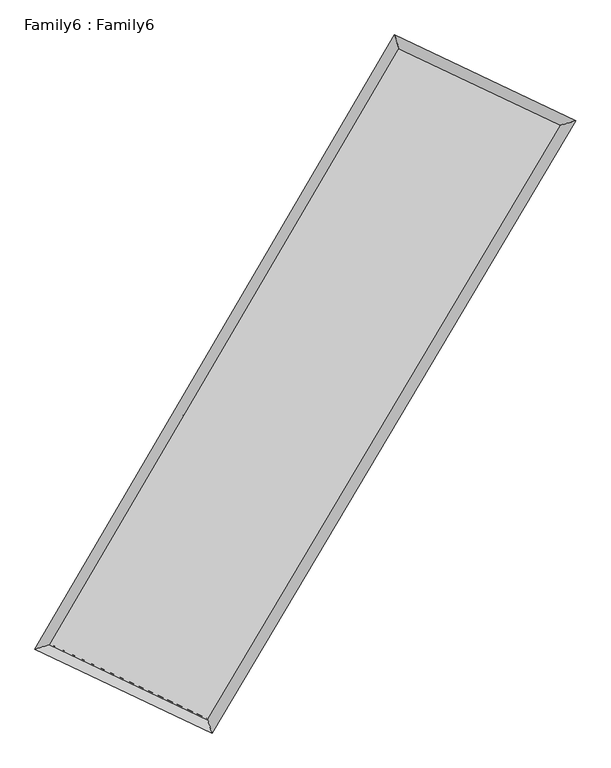
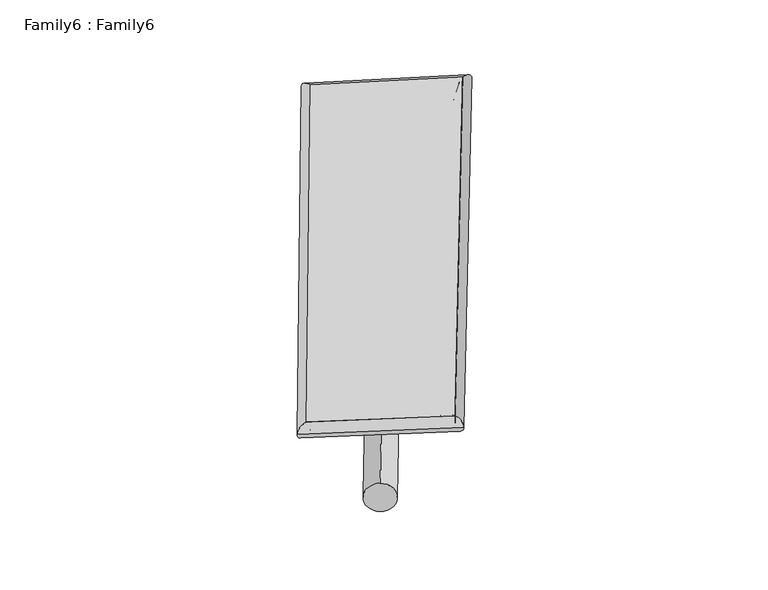
"""IFC4 building model written with IfcOpenShell, lengths in millimetres: plate geometry, Family6 : Family6."""

from ifc_helpers import new_model, si_unit, point, frame, origin, origin_2d, place, context, project, spatial, circle_curve, ellipse_curve, trimmed, segment, composite_curve, outline, extrude, source, transform, mapped, element, save
from ifc_brep_helpers import plane_surface, cylinder_surface, spline_surface, advanced_brep


def family6_family6_4d3e2a46(model_context):
    return source(origin(), model_context, "Body", "SolidModel", [
        extrude(outline(composite_curve([segment(trimmed(circle_curve(origin_2d(), 76.2), [point((-75.4341515, -10.7763073))], [point((75.4341515, 10.7763073))], False, "CARTESIAN"), True, "CONTINUOUS"), segment(trimmed(circle_curve(origin_2d(), 76.2), [point((75.4341515, 10.7763073))], [point((-75.4341515, -10.7763073))], False, "CARTESIAN"), True, "CONTINUOUS")], self_intersect=False)), frame((9144.0, 9144.0, 0.0), z_axis=(0.6787273297791323, 0.6841257931951862, 0.2670226786172787), x_axis=(-0.6758293677893509, 0.7241338663956287, -0.1374220112367892)), (0.0, 0.0, 1.0), 5727.6227829),
        extrude(outline(composite_curve([segment(trimmed(circle_curve(origin_2d(), 76.2), [point((-53.8815367, 53.8815367))], [point((53.8815367, -53.8815367))], False, "CARTESIAN"), True, "CONTINUOUS"), segment(trimmed(circle_curve(origin_2d(), 76.2), [point((53.8815367, -53.8815367))], [point((-53.8815367, 53.8815367))], False, "CARTESIAN"), True, "CONTINUOUS")], self_intersect=False)), frame((9144.0, 9144.0, 0.0), z_axis=(-0.6748336191930819, -0.6877382367648464, 0.2676111060818417), x_axis=(0.6383028841592788, -0.3619699624215267, 0.6793726329331385)), (0.0, 0.0, 1.0), 5714.8628675),
        extrude(outline(composite_curve([segment(trimmed(circle_curve(origin_2d(), 76.2), [point((-53.8815368, -53.8815367))], [point((53.8815368, 53.8815367))], False, "CARTESIAN"), True, "CONTINUOUS"), segment(trimmed(circle_curve(origin_2d(), 76.2), [point((53.8815368, 53.8815367))], [point((-53.8815368, -53.8815367))], False, "CARTESIAN"), True, "CONTINUOUS")], self_intersect=False)), frame((9144.0, 9144.0, 0.0), z_axis=(0.25975011933497416, 0.9253570817085388, 0.2761234268172905), x_axis=(-0.8430493955925554, 0.3567479501499515, -0.4024905174719459)), (0.0, 0.0, 1.0), 5491.1924213),
        extrude(outline(composite_curve([segment(trimmed(circle_curve(origin_2d(), 76.2), [point((-75.4341514, 10.7763073))], [point((75.4341514, -10.7763073))], False, "CARTESIAN"), True, "CONTINUOUS"), segment(trimmed(circle_curve(origin_2d(), 76.2), [point((75.4341514, -10.7763073))], [point((-75.4341514, 10.7763073))], False, "CARTESIAN"), True, "CONTINUOUS")], self_intersect=False)), frame((9144.0, 9144.0, 0.0), z_axis=(-0.26534870474022487, -0.9237109732978493, 0.2763116043560697), x_axis=(0.8809403671037184, -0.11580907826399087, 0.4588380182578714)), (0.0, 0.0, 1.0), 5486.3926206),
        advanced_brep(
        [(5071.8007043, 5147.2024376, 1528.4222235), (5071.7954743, 5147.1942292, 1530.6681512), (5503.0361115, 5280.1381387, 1530.2993227), (10631.2934763, 14027.9578554, 1517.5693394), (10509.3822972, 14422.6697328, 1514.924398), (5503.0413416, 5280.1463471, 1528.053395), (12814.8352598, 12996.231705, 1529.2434123), (13248.152975, 13128.597254, 1529.5669429), (7628.0935946, 4273.274959, 1516.1863052), (7748.2920542, 3879.042906, 1515.7215891)],
        [
            (0, 1, ellipse_curve(frame((5287.4184079, 5213.6702881, 1529.3607731), z_axis=(-0.29459760997695006, 0.9556172725399941, 0.002806531505557919), x_axis=(-0.9556087799372578, -0.2946075405498911, 0.004272792759971304)), 225.6416753, 152.4)),
            (1, 2, ellipse_curve(frame((5287.4184079, 5213.6702881, 1529.3607731), z_axis=(-0.29459760997695006, 0.9556172725399941, 0.002806531505557919), x_axis=(-0.9556087799372578, -0.2946075405498911, 0.004272792759971304)), 225.6416753, 152.4)),
            (2, 3),
            (3, 4, ellipse_curve(frame((10570.3378867, 14225.3137941, 1516.2468687), z_axis=(-0.9554571545825772, -0.29511988178854187, -0.0024251041384723317), x_axis=(0.295107296365873, -0.9554534731184784, 0.0045104697606591655)), 206.5595004, 152.4)),
            (4, 0),
            (2, 5, ellipse_curve(frame((5287.4184079, 5213.6702881, 1529.3607731), z_axis=(-0.29459760997695006, 0.9556172725399941, 0.002806531505557919), x_axis=(-0.9556087799372578, -0.2946075405498911, 0.004272792759971304)), 225.6416753, 152.4)),
            (5, 0, ellipse_curve(frame((5287.4184079, 5213.6702881, 1529.3607731), z_axis=(-0.29459760997695006, 0.9556172725399941, 0.002806531505557919), x_axis=(-0.9556087799372578, -0.2946075405498911, 0.004272792759971304)), 225.6416753, 152.4)),
            (4, 3, ellipse_curve(frame((10570.3378867, 14225.3137941, 1516.2468687), z_axis=(-0.9554571545825772, -0.29511988178854187, -0.0024251041384723317), x_axis=(0.295107296365873, -0.9554534731184784, 0.0045104697606591655)), 206.5595004, 152.4)),
            (3, 6),
            (6, 7, ellipse_curve(frame((13031.4941174, 13062.4144795, 1529.4051776), z_axis=(-0.2921408555172248, 0.9563716689803589, -0.0026365335929993032), x_axis=(-0.9563636269127488, -0.29214980118114453, -0.0041360353130115825)), 226.5435353, 152.4)),
            (7, 4),
            (7, 6, ellipse_curve(frame((13031.4941174, 13062.4144795, 1529.4051776), z_axis=(-0.2921408555172248, 0.9563716689803589, -0.0026365335929993032), x_axis=(-0.9563636269127488, -0.29214980118114453, -0.0041360353130115825)), 226.5435353, 152.4)),
            (6, 8),
            (8, 9, ellipse_curve(frame((7688.1928244, 4076.1589325, 1515.9539471), z_axis=(0.9565246703926937, 0.29164034837847214, -0.002542071563085629), x_axis=(-0.2916266247471544, 0.9565206643392711, 0.004704299155223748)), 206.0755915, 152.4)),
            (9, 7),
            (9, 8, ellipse_curve(frame((7688.1928244, 4076.1589325, 1515.9539471), z_axis=(0.9565246703926937, 0.29164034837847214, -0.002542071563085629), x_axis=(-0.2916266247471544, 0.9565206643392711, 0.004704299155223748)), 206.0755915, 152.4)),
            (8, 5),
            (1, 9),
        ],
        [
            cylinder_surface(frame((5287.4184079, 5213.6702881, 1529.3607731), z_axis=(-0.5057356237582328, -0.8626876044297545, 0.0012553983921395114), x_axis=(-0.8626686125340448, 0.5057135336592894, -0.007529065175768306)), 152.4),
            cylinder_surface(frame((10570.3378867, 14225.3137941, 1516.2468687), z_axis=(-0.9041406595996911, 0.42720756214273153, -0.004833891465435965), x_axis=(0.42722728319687864, 0.9041342503202529, -0.00425510164958364)), 152.4),
            cylinder_surface(frame((13031.4941174, 13062.4144795, 1529.4051776), z_axis=(0.511083613647852, 0.8595300370058622, 0.0012866022518737304), x_axis=(0.859530927201407, -0.5110836136478519, -0.00035361694359821276)), 152.4),
            cylinder_surface(frame((7688.1928244, 4076.1589325, 1515.9539471), z_axis=(0.9036822858483184, -0.4281738654670196, -0.005046501262168977), x_axis=(-0.4281633074148046, -0.9036961690921832, 0.003068574869210242)), 152.4),
        ],
        [
            (0, [[1, 2, 3, 4, 5]]),
            (0, [[6, 7, -5, 8, -3]]),
            (1, [[-4, 9, 10, 11]]),
            (1, [[-8, -11, 12, -9]]),
            (2, [[-10, 13, 14, 15]]),
            (2, [[-12, -15, 16, -13]]),
            (3, [[-14, 17, -6, -2, 18]]),
            (3, [[-16, -18, -1, -7, -17]]),
        ],
    ),
        extrude(outline(composite_curve([segment(trimmed(circle_curve(origin_2d(), 304.8), [point((0.0, 304.8))], [point((0.0, -304.8))], False, "CARTESIAN"), True, "CONTINUOUS"), segment(trimmed(circle_curve(origin_2d(), 304.8), [point((0.0, -304.8))], [point((0.0, 304.8))], False, "CARTESIAN"), True, "CONTINUOUS")], self_intersect=False)), frame((11819.3403777, 13665.5923888, -0.0015378), z_axis=(-0.5092216384450119, -0.8606354181297049, 2.926959894963355e-07), x_axis=(-0.8606354181297509, 0.5092216384450119, -8.010550045716579e-08)), (0.0, 0.0, 1.0), 10507.5675334),
        advanced_brep(
        [(5287.4184079, 5213.6702881, 1529.3607731), (7688.1928244, 4076.1589325, 1515.9539471), (7688.1899589, 4076.1577369, 1668.3539471), (5287.4155424, 5213.6690926, 1681.7607731), (13031.4941174, 13062.4144795, 1529.4051776), (13031.4912519, 13062.4132839, 1681.8051776), (10570.3378867, 14225.3137941, 1516.2468687), (10570.3350212, 14225.3125985, 1668.6468687)],
        [
            (0, 1),
            (1, 2),
            (2, 3),
            (3, 0),
            (1, 4),
            (4, 5),
            (5, 2),
            (4, 6),
            (6, 7),
            (7, 5),
            (6, 0),
            (3, 7),
        ],
        [
            plane_surface(frame((6487.8056162, 4644.9146103, 1522.6573601), z_axis=(-0.42817938676040934, -0.9036937603658917, -1.5140487084225242e-05), x_axis=(0.9036822858483181, -0.42817386546701985, -0.005046501262168975))),
            plane_surface(frame((10359.8434709, 8569.286706, 1522.6795624), z_axis=(0.8595307403620069, -0.5110840500593479, 1.215215416583784e-05), x_axis=(0.5110836136478522, 0.8595300370058622, 0.0012866022518737308))),
            plane_surface(frame((11800.9160021, 13643.8641368, 1522.8260231), z_axis=(0.4272124872459707, 0.9041512542226101, 1.5125895676094871e-05), x_axis=(-0.9041406595996911, 0.4272075621427318, -0.004833891465435967))),
            plane_surface(frame((7928.8781473, 9719.4920411, 1522.8038209), z_axis=(-0.8626882919542048, 0.5057360089760167, -1.2253480630261006e-05), x_axis=(-0.505735623758233, -0.8626876044297543, 0.001255398392139509))),
            spline_surface(1, 1, [[(7688.1899589, 4076.1577369, 1668.3539471), (5287.4155424, 5213.6690926, 1681.7607731)], [(13031.4912519, 13062.4132839, 1681.8051776), (10570.3350212, 14225.3125985, 1668.6468687)]], [2, 2], [2, 2], [0.0, 1.0], [0.0, 1.0]),
            spline_surface(1, 1, [[(10570.3378867, 14225.3137941, 1516.2468687), (5287.4184079, 5213.6702881, 1529.3607731)], [(13031.4941174, 13062.4144795, 1529.4051776), (7688.1928244, 4076.1589325, 1515.9539471)]], [2, 2], [2, 2], [0.0, 1.0], [0.0, 1.0]),
        ],
        [
            (0, [[1, 2, 3, 4]]),
            (1, [[5, 6, 7, -2]]),
            (2, [[8, 9, 10, -6]]),
            (3, [[11, -4, 12, -9]]),
            (4, [[-3, -7, -10, -12]]),
            (5, [[-11, -8, -5, -1]]),
        ],
    ),
    ])


if __name__ == "__main__":
    model = new_model("IFC4")
    model_context = context("Model", 3, world=origin())
    ifc_project = project(units=[si_unit("LENGTHUNIT", "METRE", prefix="MILLI")], contexts=[model_context])
    site = spatial("IfcSite", under=ifc_project)
    building = spatial("IfcBuilding", under=site)
    placement = place(None, origin())
    family6_family6_shape = family6_family6_4d3e2a46(model_context)
    element("IfcPlate", 1, ObjectType="Family6 : Family6", at=placement, inside=building, context=model_context, shape_type="MappedRepresentation", body=[
        mapped(family6_family6_shape, transform((0.0, 0.0, 0.0), x_axis=(1.0, 0.0, 0.0), y_axis=(0.0, 1.0, 0.0), z_axis=(0.0, 0.0, 1.0))),
    ])
    save(model, "model.ifc")
